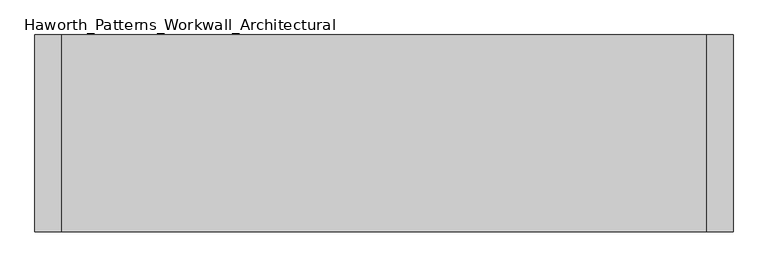
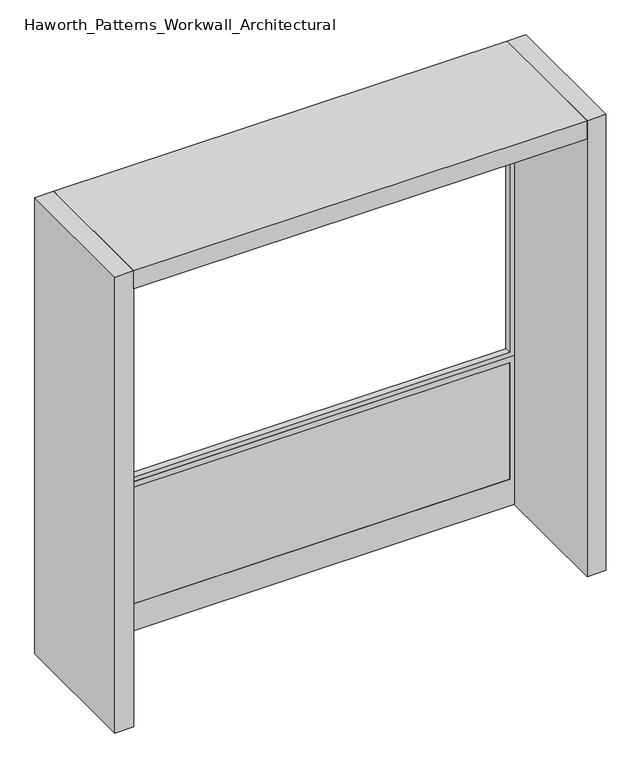
"""IFC4 building model written with IfcOpenShell, lengths in millimetres: furniture geometry, Haworth_Patterns_Workwall_Architectural."""

from ifc_helpers import new_model, si_unit, frame, origin, origin_with_axes, place, context, project, spatial, polyline, outline, extrude, source, transform, mapped, element, save


def haworth_patterns_workwall_architectural_ff957760(model_context):
    return source(origin(), model_context, "Body", "SweptSolid", [
        extrude(outline(polyline([(1866.9, 304.8), (1866.9, -1524.0), (635.0, -1524.0), (635.0, 304.8), (1866.9, 304.8)]), holes=[polyline([(1847.85, 285.75), (654.05, 285.75), (654.05, -1504.95), (1847.85, -1504.95), (1847.85, 285.75)])]), frame((0.0, 330.2, 0.0), z_axis=(0.0, 1.0, 0.0), x_axis=(0.0, 0.0, 1.0)), (0.0, 0.0, 1.0), 25.4),
        extrude(outline(polyline([(285.75, 330.2), (-1504.95, 330.2), (-1504.95, 355.6), (285.75, 355.6), (285.75, 330.2)])), frame((0.0, 0.0, 114.3), z_axis=(0.0, 0.0, 1.0), x_axis=(1.0, 0.0, 0.0)), (0.0, 0.0, 1.0), 495.3),
        extrude(outline(polyline([(635.0, 304.8), (635.0, -1524.0), (0.0, -1524.0), (0.0, 304.8), (635.0, 304.8)]), holes=[polyline([(609.6, 285.75), (114.3, 285.75), (114.3, -1504.95), (609.6, -1504.95), (609.6, 285.75)])]), frame((0.0, 330.2, 0.0), z_axis=(0.0, 1.0, 0.0), x_axis=(0.0, 0.0, 1.0)), (0.0, 0.0, 1.0), 25.4),
        extrude(outline(polyline([(304.8, -177.8), (-1524.0, -177.8), (-1524.0, 381.0), (304.8, 381.0), (304.8, -177.8)])), frame((0.0, 0.0, 1866.9), z_axis=(0.0, 0.0, 1.0), x_axis=(1.0, 0.0, 0.0)), (0.0, 0.0, 1.0), 76.2),
        extrude(outline(polyline([(381.0, 381.0), (381.0, -177.8), (304.8, -177.8), (304.8, 381.0), (381.0, 381.0)])), origin_with_axes(), (0.0, 0.0, 1.0), 1943.1),
        extrude(outline(polyline([(-1524.0, 381.0), (-1524.0, -177.8), (-1600.2, -177.8), (-1600.2, 381.0), (-1524.0, 381.0)])), origin_with_axes(), (0.0, 0.0, 1.0), 1943.1),
    ])


if __name__ == "__main__":
    model = new_model("IFC4")
    model_context = context("Model", 3, world=origin())
    ifc_project = project(units=[si_unit("LENGTHUNIT", "METRE", prefix="MILLI")], contexts=[model_context])
    site = spatial("IfcSite", under=ifc_project)
    building = spatial("IfcBuilding", under=site)
    placement = place(None, origin())
    haworth_patterns_workwall_architectural_shape = haworth_patterns_workwall_architectural_ff957760(model_context)
    element("IfcFurniture", 1, ObjectType="Haworth_Patterns_Workwall_Architectural", at=placement, inside=building, context=model_context, shape_type="MappedRepresentation", body=[
        mapped(haworth_patterns_workwall_architectural_shape, transform((0.0, 0.0, 0.0), x_axis=(1.0, 0.0, 0.0), y_axis=(0.0, 1.0, 0.0), z_axis=(0.0, 0.0, 1.0))),
    ])
    save(model, "model.ifc")
